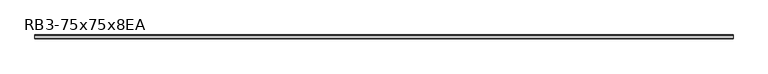
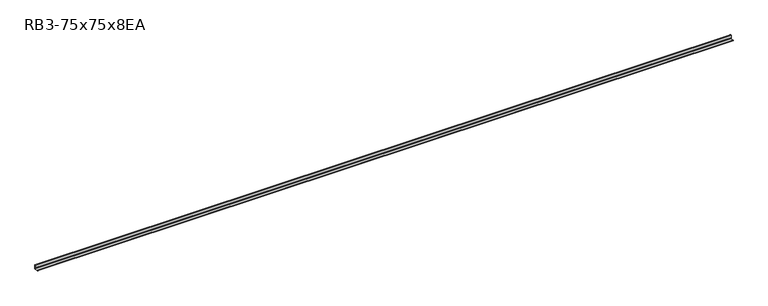
"""IFC4 building model written with IfcOpenShell, lengths in millimetres: member geometry, RB3-75x75x8EA."""

from ifc_helpers import new_model, si_unit, point, frame, frame_2d, origin, place, context, project, spatial, polyline, circle_curve, trimmed, segment, composite_curve, outline, extrude, source, transform, mapped, element, save


def rb3_75x75x8ea_11116846(model_context):
    return source(origin(), model_context, "Body", "SweptSolid", [
        extrude(outline(composite_curve([segment(polyline([(21.3, -21.3), (-53.7, -21.3), (-53.7, -18.3)]), True, "CONTINUOUS"), segment(trimmed(circle_curve(frame_2d((-48.7, -18.3)), 5.0), [point((-53.7, -18.3))], [point((-48.7, -13.3))], False, "CARTESIAN"), True, "CONTINUOUS"), segment(polyline([(-48.7, -13.3), (5.3, -13.3)]), True, "CONTINUOUS"), segment(trimmed(circle_curve(frame_2d((5.3, -5.3)), 8.0), [point((5.3, -13.3))], [point((13.3, -5.3))], True, "CARTESIAN"), True, "CONTINUOUS"), segment(polyline([(13.3, -5.3), (13.3, 48.7)]), True, "CONTINUOUS"), segment(trimmed(circle_curve(frame_2d((18.3, 48.7)), 5.0), [point((13.3, 48.7))], [point((18.3, 53.7))], False, "CARTESIAN"), True, "CONTINUOUS"), segment(polyline([(18.3, 53.7), (21.3, 53.7), (21.3, -21.3)]), True, "CONTINUOUS")], self_intersect=False)), frame((-6849.0, 0.0, 0.0), z_axis=(1.0, 0.0, 0.0), x_axis=(0.0, 1.0, 0.0)), (0.0, 0.0, 1.0), 13651.0),
    ])


if __name__ == "__main__":
    model = new_model("IFC4")
    model_context = context("Model", 3, world=origin())
    ifc_project = project(units=[si_unit("LENGTHUNIT", "METRE", prefix="MILLI")], contexts=[model_context])
    site = spatial("IfcSite", under=ifc_project)
    building = spatial("IfcBuilding", under=site)
    placement = place(None, origin())
    rb3_75x75x8ea_shape = rb3_75x75x8ea_11116846(model_context)
    element("IfcMember", 1, ObjectType="RB3-75x75x8EA", at=placement, inside=building, context=model_context, shape_type="MappedRepresentation", body=[
        mapped(rb3_75x75x8ea_shape, transform((0.0, 0.0, 0.0), x_axis=(1.0, 0.0, 0.0), y_axis=(0.0, 1.0, 0.0), z_axis=(0.0, 0.0, 1.0))),
    ])
    save(model, "model.ifc")
